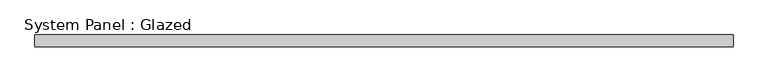
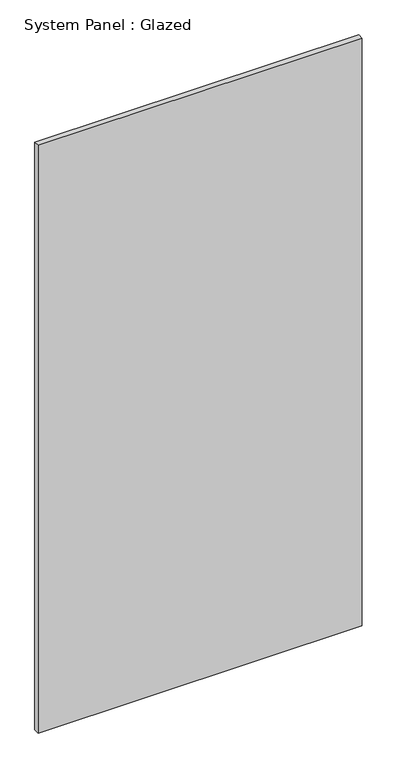
"""IFC4 building model written with IfcOpenShell, lengths in millimetres: plate geometry, System Panel : Glazed."""

from ifc_helpers import new_model, si_unit, origin, origin_with_axes, place, context, project, spatial, polyline, outline, extrude, source, transform, mapped, element, save


def system_panel_glazed_695ad5db(model_context):
    return source(origin(), model_context, "Body", "SweptSolid", [
        extrude(outline(polyline([(743.5, -49.5), (-743.5, -49.5), (-743.5, -24.5), (743.5, -24.5), (743.5, -49.5)])), origin_with_axes(), (0.0, 0.0, 1.0), 2850.0),
    ])


if __name__ == "__main__":
    model = new_model("IFC4")
    model_context = context("Model", 3, world=origin())
    ifc_project = project(units=[si_unit("LENGTHUNIT", "METRE", prefix="MILLI")], contexts=[model_context])
    site = spatial("IfcSite", under=ifc_project)
    building = spatial("IfcBuilding", under=site)
    placement = place(None, origin())
    system_panel_glazed_shape = system_panel_glazed_695ad5db(model_context)
    element("IfcPlate", 1, ObjectType="System Panel : Glazed", at=placement, inside=building, context=model_context, shape_type="MappedRepresentation", body=[
        mapped(system_panel_glazed_shape, transform((0.0, 0.0, 0.0), x_axis=(1.0, 0.0, 0.0), y_axis=(0.0, 1.0, 0.0), z_axis=(0.0, 0.0, 1.0))),
    ])
    save(model, "model.ifc")
